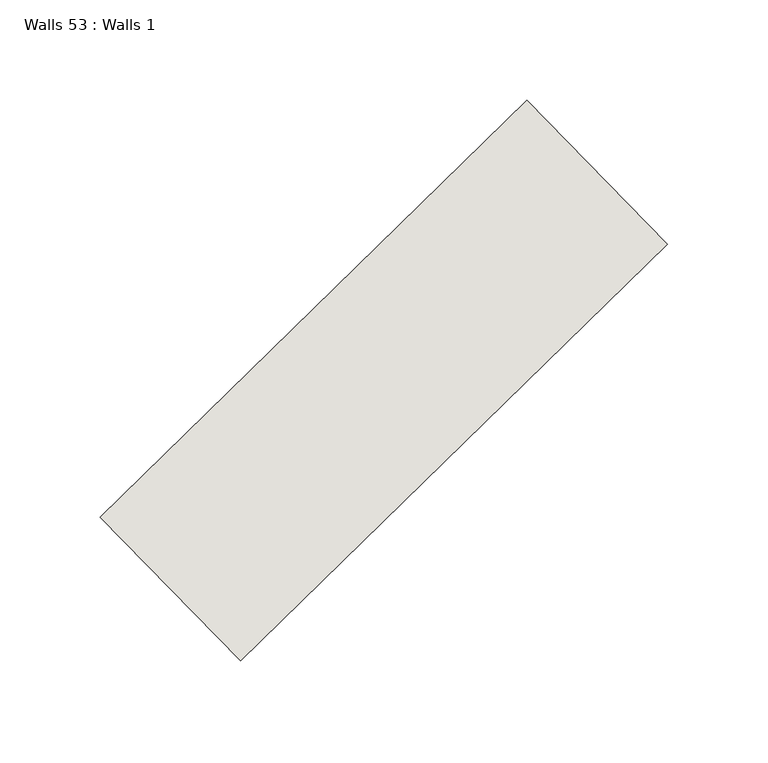
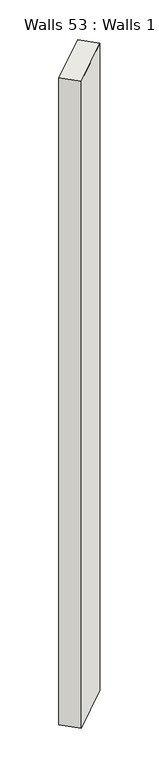
"""IFC4 building model written with IfcOpenShell, lengths in millimetres: wall geometry, Walls 53 : Walls 1."""

from ifc_helpers import new_model, si_unit, origin, origin_with_axes, place, context, project, spatial, polyline, outline, extrude, source, transform, mapped, element, save


def walls_53_walls_1_b6da2c20(model_context):
    return source(origin(), model_context, "Body", "SweptSolid", [
        extrude(outline(polyline([(10281.5092571, -727.7110165), (10493.8174225, -520.4112742), (10563.6791245, -591.9608555), (10351.3709591, -799.2605979), (10281.5092571, -727.7110165)])), origin_with_axes(), (0.0, 0.0, 1.0), 3401.4501084),
    ])


if __name__ == "__main__":
    model = new_model("IFC4")
    model_context = context("Model", 3, world=origin())
    ifc_project = project(units=[si_unit("LENGTHUNIT", "METRE", prefix="MILLI")], contexts=[model_context])
    site = spatial("IfcSite", under=ifc_project)
    building = spatial("IfcBuilding", under=site)
    placement = place(None, origin())
    walls_53_walls_1_shape = walls_53_walls_1_b6da2c20(model_context)
    element("IfcWall", 1, ObjectType="Walls 53 : Walls 1", at=placement, inside=building, context=model_context, shape_type="MappedRepresentation", body=[
        mapped(walls_53_walls_1_shape, transform((0.0, 0.0, 0.0), x_axis=(1.0, 0.0, 0.0), y_axis=(0.0, 1.0, 0.0), z_axis=(0.0, 0.0, 1.0))),
    ])
    save(model, "model.ifc")
